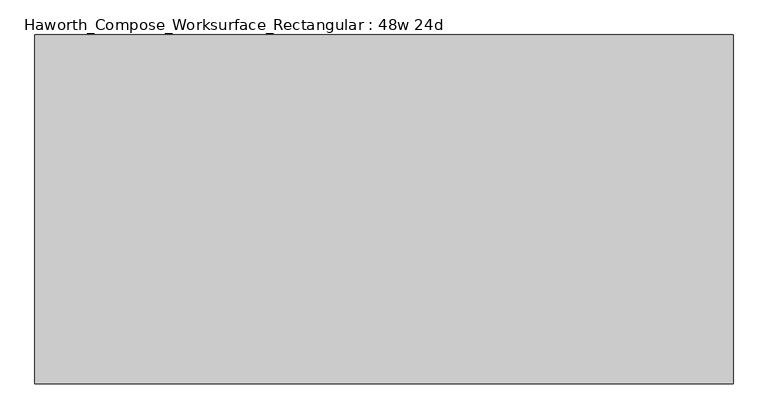
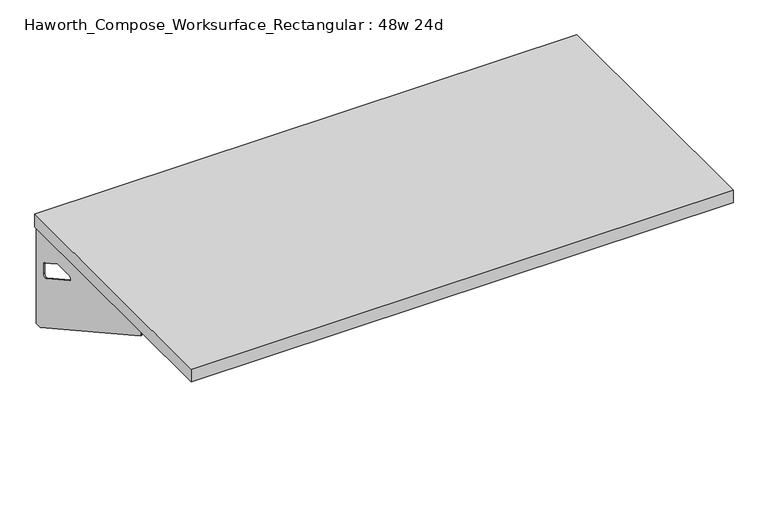
"""IFC4 building model written with IfcOpenShell, lengths in millimetres: furniture geometry, Haworth_Compose_Worksurface_Rectangular : 48w 24d."""

from ifc_helpers import new_model, si_unit, frame, origin, place, context, project, spatial, polyline, circle_curve, outline, extrude, source, transform, mapped, element, save
from ifc_brep_helpers import plane_surface, revolved_surface, advanced_brep


def haworth_compose_worksurface_rectangular_48w_24d_a43ee718(model_context):
    return source(origin(), model_context, "Body", "SolidModel", [
        advanced_brep(
        [(604.04375, 304.8, 475.45625), (604.04375, 288.925, 475.45625), (604.04375, -101.6, 691.7192568), (604.04375, -101.6, 704.05625), (604.04375, 288.925, 704.05625), (604.04375, 304.8, 704.05625), (604.04375, 221.490072, 665.95625), (604.04375, 177.8355284, 665.95625), (604.04375, 175.1564235, 656.3705539), (604.04375, 266.8776173, 605.5776439), (604.04375, 276.225, 611.1756969), (604.04375, 276.225, 634.6860246), (604.04375, 274.4730055, 637.5242776), (604.04375, 224.5663437, 665.1613425), (606.425, 304.8, 475.45625), (606.425, 304.8, 704.05625), (606.425, 288.925, 704.05625), (606.425, 288.925, 706.4375), (606.425, -101.6, 706.4375), (606.425, -101.6, 691.7192568), (606.425, 288.925, 475.45625), (606.425, 221.490072, 665.95625), (606.425, 224.5663437, 665.1613425), (606.425, 274.4730055, 637.5242776), (606.425, 276.225, 634.6860246), (606.425, 276.225, 611.1756969), (606.425, 266.8776173, 605.5776439), (606.425, 175.1564235, 656.3705539), (606.425, 177.8355284, 665.95625), (565.15, -101.6, 706.4375), (565.15, -101.6, 704.05625), (565.15, 288.925, 704.05625), (565.15, 288.925, 706.4375)],
        [
            (0, 1),
            (1, 2),
            (2, 3),
            (3, 4),
            (4, 5),
            (5, 0),
            (6, 7),
            (7, 8, circle_curve(frame((604.04375, 177.8355284, 660.7890106), z_axis=(1.0, 0.0, 0.0), x_axis=(0.0, -1.0, 0.0)), 5.1672394)),
            (8, 9),
            (9, 10, circle_curve(frame((604.04375, 269.875, 611.1756969), z_axis=(1.0, 0.0, 0.0), x_axis=(0.0, -1.0, 0.0)), 6.35)),
            (10, 11),
            (11, 12, circle_curve(frame((604.04375, 273.05, 634.6860246), z_axis=(1.0, 0.0, 0.0), x_axis=(0.0, -1.0, 0.0)), 3.175)),
            (12, 13),
            (13, 6, circle_curve(frame((604.04375, 221.490072, 659.60625), z_axis=(1.0, 0.0, 0.0), x_axis=(0.0, -1.0, 0.0)), 6.35)),
            (14, 15),
            (15, 16),
            (16, 17),
            (17, 18),
            (18, 19),
            (19, 20),
            (20, 14),
            (21, 22, circle_curve(frame((606.425, 221.490072, 659.60625), z_axis=(-1.0, 0.0, 0.0), x_axis=(0.0, -1.0, 0.0)), 6.35)),
            (22, 23),
            (23, 24, circle_curve(frame((606.425, 273.05, 634.6860246), z_axis=(-1.0, 0.0, 0.0), x_axis=(0.0, -1.0, 0.0)), 3.175)),
            (24, 25),
            (25, 26, circle_curve(frame((606.425, 269.875, 611.1756969), z_axis=(-1.0, 0.0, 0.0), x_axis=(0.0, -1.0, 0.0)), 6.35)),
            (26, 27),
            (27, 28, circle_curve(frame((606.425, 177.8355284, 660.7890106), z_axis=(-1.0, 0.0, 0.0), x_axis=(0.0, -1.0, 0.0)), 5.1672394)),
            (28, 21),
            (4, 16),
            (15, 5),
            (14, 0),
            (20, 1),
            (19, 2),
            (18, 29),
            (29, 30),
            (30, 3),
            (6, 21),
            (28, 7),
            (9, 26),
            (25, 10),
            (24, 11),
            (23, 12),
            (27, 8),
            (31, 4),
            (30, 31),
            (32, 29),
            (17, 32),
            (31, 32),
            (22, 13),
        ],
        [
            plane_surface(frame((604.04375, 304.8, 475.45625), z_axis=(-1.0, 0.0, 0.0), x_axis=(0.0, 1.0, 0.0))),
            plane_surface(frame((606.425, 304.8, 475.45625), z_axis=(1.0, 0.0, 0.0), x_axis=(0.0, -1.0, 0.0))),
            plane_surface(frame((606.425, -101.6, 704.05625), z_axis=(0.0, 0.0, 1.0), x_axis=(-1.0, 0.0, 0.0))),
            plane_surface(frame((606.425, 304.8, 704.05625), z_axis=(0.0, 1.0, 0.0), x_axis=(-1.0, 0.0, 0.0))),
            plane_surface(frame((606.425, 304.8, 475.45625), z_axis=(0.0, 0.0, -1.0), x_axis=(-1.0, 0.0, 0.0))),
            plane_surface(frame((606.425, 288.925, 475.45625), z_axis=(0.0, -0.48445223513455843, -0.8748177135112952), x_axis=(-1.0, 0.0, 0.0))),
            plane_surface(frame((606.425, -101.6, 691.7192568), z_axis=(0.0, -1.0, 0.0), x_axis=(-1.0, 0.0, 0.0))),
            plane_surface(frame((606.425, 221.490072, 665.95625), z_axis=(0.0, 0.0, -1.0), x_axis=(-1.0, 0.0, 0.0))),
            revolved_surface(polyline([(604.04375, 263.525, 611.1756969), (606.425, 263.525, 611.1756969)]), (606.425, 269.875, 611.1756969), (-1.0, 0.0, 0.0)),
            plane_surface(frame((606.425, 276.225, 611.1756969), z_axis=(0.0, -1.0, 0.0), x_axis=(-1.0, 0.0, 0.0))),
            revolved_surface(polyline([(604.04375, 269.875, 634.6860246), (606.425, 269.875, 634.6860246)]), (606.425, 273.05, 634.6860246), (-1.0, 0.0, 0.0)),
            revolved_surface(polyline([(604.04375, 172.668289, 660.7890106), (606.425, 172.668289, 660.7890106)]), (606.425, 177.8355284, 660.7890106), (-1.0, 0.0, 0.0)),
            plane_surface(frame((606.425, 288.925, 704.05625), z_axis=(0.0, 0.0, -1.0), x_axis=(-1.0, 0.0, 0.0))),
            plane_surface(frame((606.425, 288.925, 706.4375), z_axis=(0.0, 0.0, 1.0), x_axis=(1.0, 0.0, 0.0))),
            plane_surface(frame((565.15, 288.925, 706.4375), z_axis=(0.0, 1.0, 0.0), x_axis=(0.0, 0.0, -1.0))),
            plane_surface(frame((565.15, -101.6, 706.4375), z_axis=(-1.0, 0.0, 0.0), x_axis=(0.0, 0.0, -1.0))),
            plane_surface(frame((606.425, 175.1564235, 656.3705539), z_axis=(0.0, 0.4844522351345583, 0.8748177135112953), x_axis=(-1.0, 0.0, 0.0))),
            plane_surface(frame((606.425, 274.4730055, 637.5242776), z_axis=(0.0, -0.4844522351345582, -0.8748177135112953), x_axis=(-1.0, 0.0, 0.0))),
            revolved_surface(polyline([(604.04375, 215.140072, 659.60625), (606.425, 215.140072, 659.60625)]), (606.425, 221.490072, 659.60625), (-1.0, 0.0, 0.0)),
        ],
        [
            (0, [[1, 2, 3, 4, 5, 6], [7, 8, 9, 10, 11, 12, 13, 14]]),
            (1, [[15, 16, 17, 18, 19, 20, 21], [22, 23, 24, 25, 26, 27, 28, 29]]),
            (2, [[-5, 30, -16, 31]]),
            (3, [[-31, -15, 32, -6]]),
            (4, [[-32, -21, 33, -1]]),
            (5, [[-33, -20, 34, -2]]),
            (6, [[-34, -19, 35, 36, 37, -3]]),
            (7, [[38, -29, 39, -7]]),
            (8, [[40, -26, 41, -10]]),
            (9, [[-41, -25, 42, -11]]),
            (10, [[-42, -24, 43, -12]]),
            (11, [[-39, -28, 44, -8]]),
            (12, [[45, -4, -37, 46]]),
            (13, [[47, -35, -18, 48]]),
            (14, [[-17, -30, -45, 49, -48]]),
            (15, [[-36, -47, -49, -46]]),
            (16, [[-44, -27, -40, -9]]),
            (17, [[-43, -23, 50, -13]]),
            (18, [[-50, -22, -38, -14]]),
        ],
    ),
        advanced_brep(
        [(-604.04375, 304.8, 475.45625), (-604.04375, 304.8, 704.05625), (-604.04375, 288.925, 704.05625), (-604.04375, -101.6, 704.05625), (-604.04375, -101.6, 691.7192568), (-604.04375, 288.925, 475.45625), (-604.04375, 221.490072, 665.95625), (-604.04375, 224.5663437, 665.1613425), (-604.04375, 274.4730055, 637.5242776), (-604.04375, 276.225, 634.6860246), (-604.04375, 276.225, 611.1756969), (-604.04375, 266.8776173, 605.5776439), (-604.04375, 175.1564235, 656.3705539), (-604.04375, 177.8355284, 665.95625), (-606.425, 304.8, 475.45625), (-606.425, 288.925, 475.45625), (-606.425, -101.6, 691.7192568), (-606.425, -101.6, 706.4375), (-606.425, 288.925, 706.4375), (-606.425, 288.925, 704.05625), (-606.425, 304.8, 704.05625), (-606.425, 221.490072, 665.95625), (-606.425, 177.8355284, 665.95625), (-606.425, 175.1564235, 656.3705539), (-606.425, 266.8776173, 605.5776439), (-606.425, 276.225, 611.1756969), (-606.425, 276.225, 634.6860246), (-606.425, 274.4730055, 637.5242776), (-606.425, 224.5663437, 665.1613425), (-565.15, -101.6, 704.05625), (-565.15, -101.6, 706.4375), (-565.15, 288.925, 704.05625), (-565.15, 288.925, 706.4375)],
        [
            (0, 1),
            (1, 2),
            (2, 3),
            (3, 4),
            (4, 5),
            (5, 0),
            (6, 7, circle_curve(frame((-604.04375, 221.490072, 659.60625), z_axis=(-1.0, 0.0, 0.0), x_axis=(0.0, -1.0, 0.0)), 6.35)),
            (7, 8),
            (8, 9, circle_curve(frame((-604.04375, 273.05, 634.6860246), z_axis=(-1.0, 0.0, 0.0), x_axis=(0.0, -1.0, 0.0)), 3.175)),
            (9, 10),
            (10, 11, circle_curve(frame((-604.04375, 269.875, 611.1756969), z_axis=(-1.0, 0.0, 0.0), x_axis=(0.0, -1.0, 0.0)), 6.35)),
            (11, 12),
            (12, 13, circle_curve(frame((-604.04375, 177.8355284, 660.7890106), z_axis=(-1.0, 0.0, 0.0), x_axis=(0.0, -1.0, 0.0)), 5.1672394)),
            (13, 6),
            (14, 15),
            (15, 16),
            (16, 17),
            (17, 18),
            (18, 19),
            (19, 20),
            (20, 14),
            (21, 22),
            (22, 23, circle_curve(frame((-606.425, 177.8355284, 660.7890106), z_axis=(1.0, 0.0, 0.0), x_axis=(0.0, -1.0, 0.0)), 5.1672394)),
            (23, 24),
            (24, 25, circle_curve(frame((-606.425, 269.875, 611.1756969), z_axis=(1.0, 0.0, 0.0), x_axis=(0.0, -1.0, 0.0)), 6.35)),
            (25, 26),
            (26, 27, circle_curve(frame((-606.425, 273.05, 634.6860246), z_axis=(1.0, 0.0, 0.0), x_axis=(0.0, -1.0, 0.0)), 3.175)),
            (27, 28),
            (28, 21, circle_curve(frame((-606.425, 221.490072, 659.60625), z_axis=(1.0, 0.0, 0.0), x_axis=(0.0, -1.0, 0.0)), 6.35)),
            (1, 20),
            (19, 2),
            (0, 14),
            (5, 15),
            (4, 16),
            (3, 29),
            (29, 30),
            (30, 17),
            (13, 22),
            (21, 6),
            (10, 25),
            (24, 11),
            (9, 26),
            (8, 27),
            (12, 23),
            (31, 29),
            (2, 31),
            (32, 18),
            (30, 32),
            (32, 31),
            (7, 28),
        ],
        [
            plane_surface(frame((-604.04375, 304.8, 475.45625), z_axis=(1.0, 0.0, 0.0), x_axis=(0.0, 1.0, 0.0))),
            plane_surface(frame((-606.425, 304.8, 475.45625), z_axis=(-1.0, 0.0, 0.0), x_axis=(0.0, -1.0, 0.0))),
            plane_surface(frame((-606.425, -101.6, 704.05625), z_axis=(0.0, 0.0, 1.0), x_axis=(1.0, 0.0, 0.0))),
            plane_surface(frame((-606.425, 304.8, 704.05625), z_axis=(0.0, 1.0, 0.0), x_axis=(1.0, 0.0, 0.0))),
            plane_surface(frame((-606.425, 304.8, 475.45625), z_axis=(0.0, 0.0, -1.0), x_axis=(1.0, 0.0, 0.0))),
            plane_surface(frame((-606.425, 288.925, 475.45625), z_axis=(0.0, -0.48445223513455843, -0.8748177135112952), x_axis=(1.0, 0.0, 0.0))),
            plane_surface(frame((-606.425, -101.6, 691.7192568), z_axis=(0.0, -1.0, 0.0), x_axis=(1.0, 0.0, 0.0))),
            plane_surface(frame((-606.425, 221.490072, 665.95625), z_axis=(0.0, 0.0, -1.0), x_axis=(1.0, 0.0, 0.0))),
            revolved_surface(polyline([(-604.04375, 263.525, 611.1756969), (-606.425, 263.525, 611.1756969)]), (-606.425, 269.875, 611.1756969), (1.0, 0.0, 0.0)),
            plane_surface(frame((-606.425, 276.225, 611.1756969), z_axis=(0.0, -1.0, 0.0), x_axis=(1.0, 0.0, 0.0))),
            revolved_surface(polyline([(-604.04375, 269.875, 634.6860246), (-606.425, 269.875, 634.6860246)]), (-606.425, 273.05, 634.6860246), (1.0, 0.0, 0.0)),
            revolved_surface(polyline([(-604.04375, 172.668289, 660.7890106), (-606.425, 172.668289, 660.7890106)]), (-606.425, 177.8355284, 660.7890106), (1.0, 0.0, 0.0)),
            plane_surface(frame((-606.425, 288.925, 704.05625), z_axis=(0.0, 0.0, -1.0), x_axis=(1.0, 0.0, 0.0))),
            plane_surface(frame((-606.425, 288.925, 706.4375), z_axis=(0.0, 0.0, 1.0), x_axis=(-1.0, 0.0, 0.0))),
            plane_surface(frame((-565.15, 288.925, 706.4375), z_axis=(0.0, 1.0, 0.0), x_axis=(0.0, 0.0, -1.0))),
            plane_surface(frame((-565.15, -101.6, 706.4375), z_axis=(1.0, 0.0, 0.0), x_axis=(0.0, 0.0, -1.0))),
            plane_surface(frame((-606.425, 175.1564235, 656.3705539), z_axis=(0.0, 0.4844522351345583, 0.8748177135112953), x_axis=(1.0, 0.0, 0.0))),
            plane_surface(frame((-606.425, 274.4730055, 637.5242776), z_axis=(0.0, -0.4844522351345582, -0.8748177135112953), x_axis=(1.0, 0.0, 0.0))),
            revolved_surface(polyline([(-604.04375, 215.140072, 659.60625), (-606.425, 215.140072, 659.60625)]), (-606.425, 221.490072, 659.60625), (1.0, 0.0, 0.0)),
        ],
        [
            (0, [[1, 2, 3, 4, 5, 6], [7, 8, 9, 10, 11, 12, 13, 14]]),
            (1, [[15, 16, 17, 18, 19, 20, 21], [22, 23, 24, 25, 26, 27, 28, 29]]),
            (2, [[30, -20, 31, -2]]),
            (3, [[-1, 32, -21, -30]]),
            (4, [[-6, 33, -15, -32]]),
            (5, [[-5, 34, -16, -33]]),
            (6, [[-4, 35, 36, 37, -17, -34]]),
            (7, [[-14, 38, -22, 39]]),
            (8, [[-11, 40, -25, 41]]),
            (9, [[-10, 42, -26, -40]]),
            (10, [[-9, 43, -27, -42]]),
            (11, [[-13, 44, -23, -38]]),
            (12, [[45, -35, -3, 46]]),
            (13, [[47, -18, -37, 48]]),
            (14, [[-47, 49, -46, -31, -19]]),
            (15, [[-45, -49, -48, -36]]),
            (16, [[-12, -41, -24, -44]]),
            (17, [[-8, 50, -28, -43]]),
            (18, [[-7, -39, -29, -50]]),
        ],
    ),
        extrude(outline(polyline([(609.6, 304.8), (609.6, -304.8), (-609.6, -304.8), (-609.6, 304.8), (609.6, 304.8)])), frame((0.0, 0.0, 706.4375), z_axis=(0.0, 0.0, 1.0), x_axis=(1.0, 0.0, 0.0)), (0.0, 0.0, 1.0), 30.1625),
    ])


if __name__ == "__main__":
    model = new_model("IFC4")
    model_context = context("Model", 3, world=origin())
    ifc_project = project(units=[si_unit("LENGTHUNIT", "METRE", prefix="MILLI")], contexts=[model_context])
    site = spatial("IfcSite", under=ifc_project)
    building = spatial("IfcBuilding", under=site)
    placement = place(None, origin())
    haworth_compose_worksurface_rectangular_48w_24d_shape = haworth_compose_worksurface_rectangular_48w_24d_a43ee718(model_context)
    element("IfcFurniture", 1, ObjectType="Haworth_Compose_Worksurface_Rectangular : 48w 24d", at=placement, inside=building, context=model_context, shape_type="MappedRepresentation", body=[
        mapped(haworth_compose_worksurface_rectangular_48w_24d_shape, transform((0.0, 0.0, 0.0), x_axis=(1.0, 0.0, 0.0), y_axis=(0.0, 1.0, 0.0), z_axis=(0.0, 0.0, 1.0))),
    ])
    save(model, "model.ifc")
